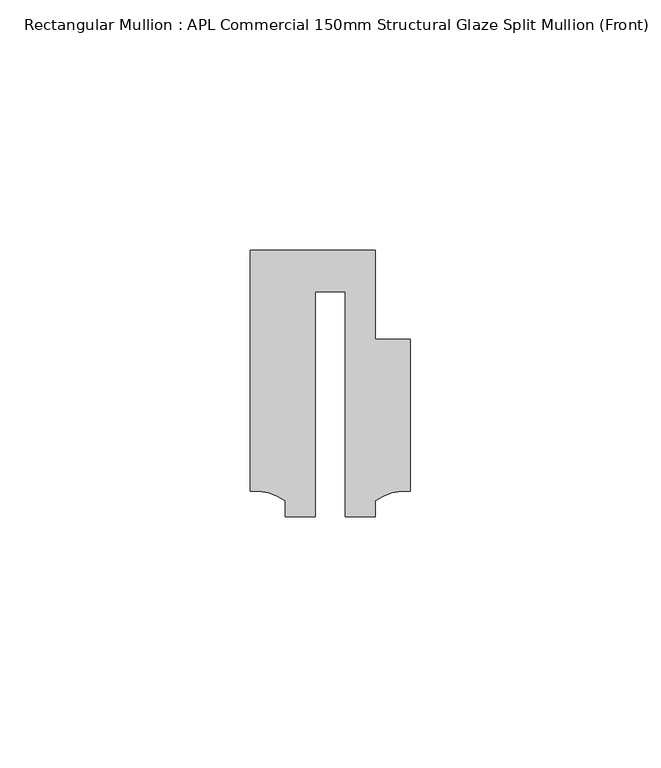
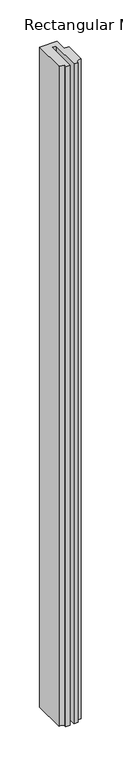
"""IFC4 building model written with IfcOpenShell, lengths in millimetres: member geometry, Rectangular Mullion : APL Commercial 150mm Structural Glaze Split Mullion (Front)."""

from ifc_helpers import new_model, si_unit, point, frame, frame_2d, origin, place, context, project, spatial, polyline, circle_curve, trimmed, segment, composite_curve, outline, extrude, source, transform, mapped, element, save


def rectangular_mullion_apl_commercial_150mm_structural_glaze_4f71834c(model_context):
    return source(origin(), model_context, "Body", "SweptSolid", [
        extrude(outline(composite_curve([segment(polyline([(15.9999391, 14.9953356), (15.9999391, -15.3837352)]), True, "CONTINUOUS"), segment(trimmed(circle_curve(frame_2d((15.1098019, -25.802169)), 10.4563907), [point((15.9999391, -15.3837352))], [point((8.9999842, -17.3165203))], True, "CARTESIAN"), True, "CONTINUOUS"), segment(polyline([(8.9999842, -17.3165203), (8.9999842, -20.5039877), (2.9999676, -20.5039877), (2.9999676, 24.5130805), (-2.9999659, 24.5130805), (-2.9999659, -20.5039877), (-8.9999842, -20.5039877), (-8.9999842, -17.3165203)]), True, "CONTINUOUS"), segment(trimmed(circle_curve(frame_2d((-15.1098019, -25.802169)), 10.4563907), [point((-8.9999842, -17.3165203))], [point((-15.9999391, -15.3837352))], True, "CARTESIAN"), True, "CONTINUOUS"), segment(polyline([(-15.9999391, -15.3837352), (-15.9999391, 32.7960123), (9.0, 32.7960123), (9.0, 14.9953356), (15.9999391, 14.9953356)]), True, "CONTINUOUS")], self_intersect=False)), frame((0.0, 0.0, -1010.8333378), z_axis=(0.0, 0.0, 1.0), x_axis=(1.0, 0.0, 0.0)), (0.0, 0.0, 1.0), 1010.8333378),
    ])


if __name__ == "__main__":
    model = new_model("IFC4")
    model_context = context("Model", 3, world=origin())
    ifc_project = project(units=[si_unit("LENGTHUNIT", "METRE", prefix="MILLI")], contexts=[model_context])
    site = spatial("IfcSite", under=ifc_project)
    building = spatial("IfcBuilding", under=site)
    placement = place(None, origin())
    rectangular_mullion_apl_commercial_150mm_structural_glaze_shape = rectangular_mullion_apl_commercial_150mm_structural_glaze_4f71834c(model_context)
    element("IfcMember", 1, ObjectType="Rectangular Mullion : APL Commercial 150mm Structural Glaze Split Mullion (Front)", at=placement, inside=building, context=model_context, shape_type="MappedRepresentation", body=[
        mapped(rectangular_mullion_apl_commercial_150mm_structural_glaze_shape, transform((0.0, 0.0, 0.0), x_axis=(1.0, 0.0, 0.0), y_axis=(0.0, 1.0, 0.0), z_axis=(0.0, 0.0, 1.0))),
    ])
    save(model, "model.ifc")
